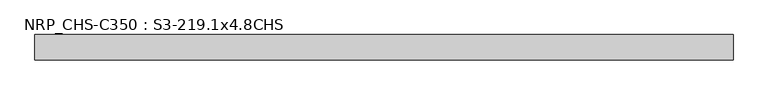
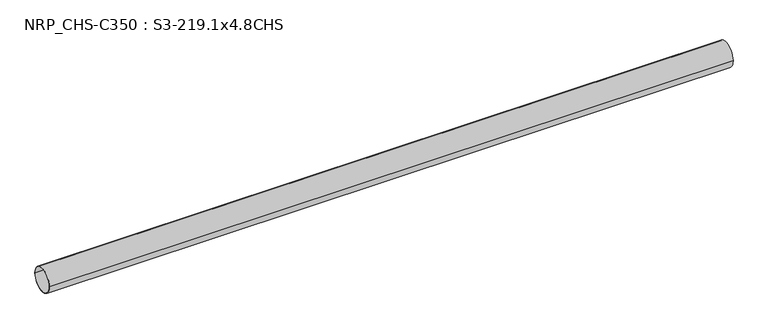
"""IFC4 building model written with IfcOpenShell, lengths in millimetres: beam geometry, NRP_CHS-C350 : S3-219.1x4.8CHS."""

from ifc_helpers import new_model, si_unit, point, frame, origin, origin_2d, place, context, project, spatial, circle_curve, trimmed, segment, composite_curve, outline, extrude, source, transform, mapped, element, save


def nrp_chs_c350_s3_219_1x4_8chs_fe7b41e2(model_context):
    return source(origin(), model_context, "Body", "SweptSolid", [
        extrude(outline(composite_curve([segment(trimmed(circle_curve(origin_2d(), 109.55), [point((-109.55, 0.0))], [point((109.55, 0.0))], False, "CARTESIAN"), True, "CONTINUOUS"), segment(trimmed(circle_curve(origin_2d(), 109.55), [point((109.55, 0.0))], [point((-109.55, 0.0))], False, "CARTESIAN"), True, "CONTINUOUS")], self_intersect=False), holes=[composite_curve([segment(trimmed(circle_curve(origin_2d(), 104.75), [point((104.75, 0.0))], [point((-104.75, 0.0))], True, "CARTESIAN"), True, "CONTINUOUS"), segment(trimmed(circle_curve(origin_2d(), 104.75), [point((-104.75, 0.0))], [point((104.75, 0.0))], True, "CARTESIAN"), True, "CONTINUOUS")], self_intersect=False)]), frame((-3021.65, 0.0, 0.0), z_axis=(1.0, 0.0, 0.0), x_axis=(0.0, 1.0, 0.0)), (0.0, 0.0, 1.0), 6020.3),
    ])


if __name__ == "__main__":
    model = new_model("IFC4")
    model_context = context("Model", 3, world=origin())
    ifc_project = project(units=[si_unit("LENGTHUNIT", "METRE", prefix="MILLI")], contexts=[model_context])
    site = spatial("IfcSite", under=ifc_project)
    building = spatial("IfcBuilding", under=site)
    placement = place(None, origin())
    nrp_chs_c350_s3_219_1x4_8chs_shape = nrp_chs_c350_s3_219_1x4_8chs_fe7b41e2(model_context)
    element("IfcBeam", 1, ObjectType="NRP_CHS-C350 : S3-219.1x4.8CHS", at=placement, inside=building, context=model_context, shape_type="MappedRepresentation", body=[
        mapped(nrp_chs_c350_s3_219_1x4_8chs_shape, transform((0.0, 0.0, 0.0), x_axis=(1.0, 0.0, 0.0), y_axis=(0.0, 1.0, 0.0), z_axis=(0.0, 0.0, 1.0))),
    ])
    save(model, "model.ifc")
